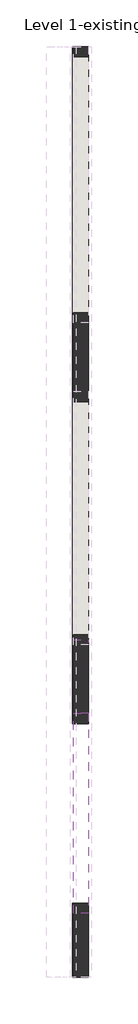
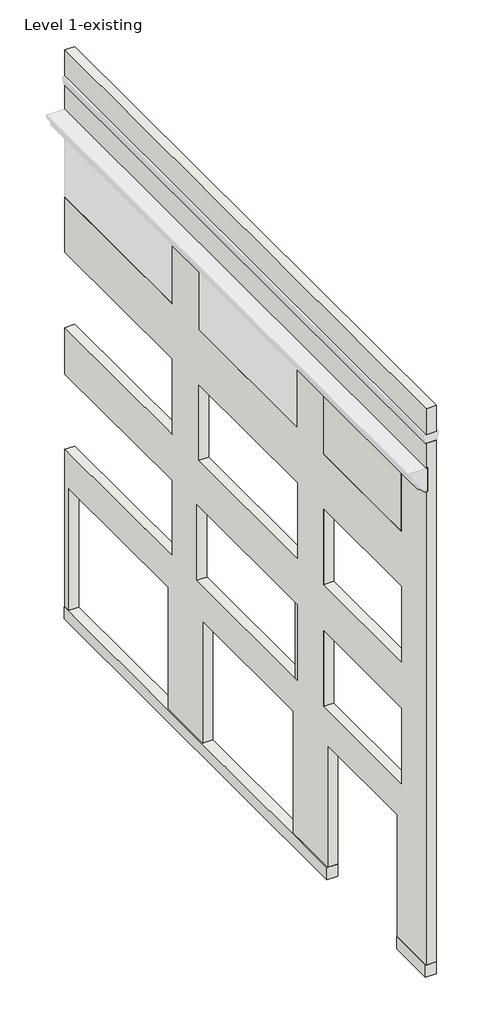
# One storey, part 1 of 2: 6 walls.
"""IFC4 building model written with IfcOpenShell, lengths in millimetres."""

from ifc_helpers import new_model, si_unit, frame, origin, place, context, project, spatial, polyline, circle_curve, outline, extrude, faceted_brep, element, save
from ifc_brep_helpers import plane_surface, cylinder_surface, revolved_surface, advanced_brep

model = new_model("IFC4")

# Units and contexts
model_context = context("Model", 3, world=origin())
ifc_project = project(units=[si_unit("LENGTHUNIT", "METRE", prefix="MILLI")], contexts=[model_context])

# Site, building, storey
site = spatial("IfcSite", under=ifc_project)
building = spatial("IfcBuilding", under=site)
storey = spatial("IfcBuildingStorey", under=building, Name="Level 1-existing", Elevation=0.0)

# Walls
placement = place(None, origin())
element("IfcWall", 1, ObjectType="Brick - 13\"", at=placement, inside=storey, context=model_context, shape_type="SolidModel", body=[
    faceted_brep([(-2978.5690818, 39267.6031223, 19913.6), (-2978.5690818, 18547.5531223, 19913.6), (-2978.5690818, 18547.5531223, 18999.2), (-2978.5690818, 39267.6031223, 18999.2), (-3308.7690818, 18547.5531223, 19913.6), (-3308.7690818, 39267.6031223, 19913.6), (-3308.7690818, 39267.6031223, 18999.2), (-3308.7690818, 18547.5531223, 18999.2)], [[[0, 1, 2, 3]], [[4, 5, 6, 7]], [[5, 0, 3, 6]], [[1, 0, 5, 4]], [[1, 4, 7, 2]], [[3, 2, 7, 6]]]),
    advanced_brep(
    [(-2978.5690818, 39039.0031223, 419.1), (-2978.5690818, 39267.6031223, 419.1), (-2978.5690818, 39267.6031223, 5918.2), (-2978.5690818, 33120.8031223, 5918.2), (-2978.5690818, 33120.8031223, 8559.8), (-2978.5690818, 39267.6031223, 8559.8), (-2978.5690818, 39267.6031223, 10185.4), (-2978.5690818, 33120.8031223, 10185.4), (-2978.5690818, 33120.8031223, 12827.0), (-2978.5690818, 39267.6031223, 12827.0), (-2978.5690818, 39267.6031223, 14757.4), (-2978.5690818, 33120.8031223, 14757.4), (-2978.5690818, 33120.8031223, 17001.264502), (-2978.5690818, 39267.6031223, 17001.264502), (-2978.5690818, 39267.6031223, 18694.4), (-2978.5690818, 18547.5531223, 18694.4), (-2978.5690818, 18547.5531223, 419.1), (-2978.5690818, 20198.5531223, 419.1), (-2978.5690818, 20198.5531223, 4686.3), (-2978.5690818, 24199.0531223, 4686.3), (-2978.5690818, 24199.0531223, 419.1), (-2978.5690818, 26180.2531223, 419.1), (-2978.5690818, 26180.2531223, 4686.3), (-2978.5690818, 31368.2031223, 4686.3), (-2978.5690818, 31368.2031223, 419.1), (-2978.5690818, 33349.4031223, 419.1), (-2978.5690818, 33349.4031223, 4686.3), (-2978.5690818, 39039.0031223, 4686.3), (-2978.5690818, 31596.8031223, 14757.4), (-2978.5690818, 25951.6531223, 14757.4), (-2978.5690818, 25951.6531223, 17001.264502), (-2978.5690818, 31596.8031223, 17001.264502), (-2978.5690818, 31596.8031223, 12827.0), (-2978.5690818, 31596.8031223, 10185.4), (-2978.5690818, 25951.6531223, 10185.4), (-2978.5690818, 25951.6531223, 12827.0), (-2978.5690818, 25951.6531223, 5918.2), (-2978.5690818, 25951.6531223, 8559.8), (-2978.5690818, 26059.6031223, 8559.8), (-2978.5690818, 31596.8031223, 8559.8), (-2978.5690818, 31704.7531223, 8559.8), (-2978.5690818, 31704.7531223, 5918.2), (-2978.5690818, 31596.8031223, 5918.2), (-2978.5690818, 26059.6031223, 5918.2), (-2978.5690818, 24427.6531223, 14757.4), (-2978.5690818, 19969.9531223, 14757.4), (-2978.5690818, 19969.9531223, 17001.264502), (-2978.5690818, 24427.6531223, 17001.264502), (-2978.5690818, 24427.6531223, 12827.0), (-2978.5690818, 24427.6531223, 10185.4), (-2978.5690818, 24427.1232914, 10185.4), (-2978.5690818, 19969.9531223, 10185.4), (-2978.5690818, 19969.4232914, 10185.4), (-2978.5690818, 19969.4232914, 12827.0), (-2978.5690818, 19969.9531223, 12827.0), (-2978.5690818, 24427.1232914, 12827.0), (-2978.5690818, 24427.6531223, 8559.8), (-2978.5690818, 24427.6531223, 5918.2), (-2978.5690818, 24427.1232914, 5918.2), (-2978.5690818, 19969.9531223, 5918.2), (-2978.5690818, 19969.4232914, 5918.2), (-2978.5690818, 19969.4232914, 8559.8), (-2978.5690818, 19969.9531223, 8559.8), (-2978.5690818, 24427.1232914, 8559.8), (-3308.7690818, 39267.6031223, 419.1), (-3308.7690818, 39039.0031223, 419.1), (-3308.7690818, 39039.0031223, 4686.3), (-3308.7690818, 33349.4031223, 4686.3), (-3308.7690818, 33349.4031223, 419.1), (-3308.7690818, 31368.2031223, 419.1), (-3308.7690818, 31368.2031223, 4686.3), (-3308.7690818, 26180.2531223, 4686.3), (-3308.7690818, 26180.2531223, 419.1), (-3308.7690818, 24199.0531223, 419.1), (-3308.7690818, 24199.0531223, 4686.3), (-3308.7690818, 20198.5531223, 4686.3), (-3308.7690818, 20198.5531223, 419.1), (-3308.7690818, 18547.5531223, 419.1), (-3308.7690818, 18547.5531223, 17005.3), (-3308.7690818, 19980.9308632, 17005.3), (-3308.7690818, 19969.9531223, 17001.264502), (-3308.7690818, 19969.9531223, 14757.4), (-3308.7690818, 24427.6531223, 14757.4), (-3308.7690818, 24427.6531223, 17001.264502), (-3308.7690818, 24416.6753815, 17005.3), (-3308.7690818, 25965.7258922, 17005.3), (-3308.7690818, 25951.6531223, 17001.264502), (-3308.7690818, 25951.6531223, 14757.4), (-3308.7690818, 31596.8031223, 14757.4), (-3308.7690818, 31596.8031223, 17001.264502), (-3308.7690818, 31582.7303525, 17005.3), (-3308.7690818, 33136.1746731, 17005.3), (-3308.7690818, 33120.8031223, 17001.264502), (-3308.7690818, 33120.8031223, 14757.4), (-3308.7690818, 39267.6031223, 14757.4), (-3308.7690818, 39267.6031223, 12827.0), (-3308.7690818, 33120.8031223, 12827.0), (-3308.7690818, 33120.8031223, 10185.4), (-3308.7690818, 39267.6031223, 10185.4), (-3308.7690818, 39267.6031223, 8559.8), (-3308.7690818, 33120.8031223, 8559.8), (-3308.7690818, 33120.8031223, 5918.2), (-3308.7690818, 39267.6031223, 5918.2), (-3308.7690818, 31596.8031223, 10185.4), (-3308.7690818, 31596.8031223, 12827.0), (-3308.7690818, 25951.6531223, 12827.0), (-3308.7690818, 25951.6531223, 10185.4), (-3308.7690818, 25951.6531223, 8559.8), (-3308.7690818, 25951.6531223, 5918.2), (-3308.7690818, 26059.6031223, 5918.2), (-3308.7690818, 31596.8031223, 5918.2), (-3308.7690818, 31704.7531223, 5918.2), (-3308.7690818, 31704.7531223, 8559.8), (-3308.7690818, 31596.8031223, 8559.8), (-3308.7690818, 26059.6031223, 8559.8), (-3308.7690818, 24427.6531223, 10185.4), (-3308.7690818, 24427.6531223, 12827.0), (-3308.7690818, 24427.1232914, 12827.0), (-3308.7690818, 19969.9531223, 12827.0), (-3308.7690818, 19969.4232914, 12827.0), (-3308.7690818, 19969.4232914, 10185.4), (-3308.7690818, 19969.9531223, 10185.4), (-3308.7690818, 24427.1232914, 10185.4), (-3308.7690818, 24427.6531223, 5918.2), (-3308.7690818, 24427.6531223, 8559.8), (-3308.7690818, 24427.1232914, 8559.8), (-3308.7690818, 19969.9531223, 8559.8), (-3308.7690818, 19969.4232914, 8559.8), (-3308.7690818, 19969.4232914, 5918.2), (-3308.7690818, 19969.9531223, 5918.2), (-3308.7690818, 24427.1232914, 5918.2), (-3308.7690818, 18547.5531223, 18694.4), (-3308.7690818, 39267.6031223, 18694.4), (-3308.7690818, 39267.6031223, 17830.8), (-3308.7690818, 18547.5531223, 17830.8), (-3308.7690818, 39267.6031223, 17005.3), (-3308.7690818, 39267.6031223, 17001.264502), (-3308.7690818, 39252.2315716, 17005.3), (-3257.9690818, 39267.6031223, 17005.3), (-3257.9690818, 39267.6031223, 17830.8), (-3257.9690818, 18547.5531223, 17830.8), (-3257.9690818, 18547.5531223, 17005.3), (-3257.9690818, 25965.7258922, 17005.3), (-3257.9690818, 31582.7303525, 17005.3), (-3257.9690818, 33136.1746731, 17005.3), (-3257.9690818, 39252.2315716, 17005.3), (-3257.9690818, 19980.9308632, 17005.3), (-3257.9690818, 24416.6753815, 17005.3)],
    [
        (0, 1),
        (1, 2),
        (2, 3),
        (3, 4),
        (4, 5),
        (5, 6),
        (6, 7),
        (7, 8),
        (8, 9),
        (9, 10),
        (10, 11),
        (11, 12),
        (12, 13, circle_curve(frame((-2978.5690818, 36194.2031223, 5325.7192616), z_axis=(-1.0, 0.0, 0.0), x_axis=(0.0, 1.0, 0.0)), 12073.2822472)),
        (13, 14),
        (14, 15),
        (15, 16),
        (16, 17),
        (17, 18),
        (18, 19),
        (19, 20),
        (20, 21),
        (21, 22),
        (22, 23),
        (23, 24),
        (24, 25),
        (25, 26),
        (26, 27),
        (27, 0),
        (28, 29),
        (29, 30),
        (30, 31, circle_curve(frame((-2978.5690818, 28774.2281223, 7184.8094444), z_axis=(-1.0, 0.0, 0.0), x_axis=(0.0, 1.0, 0.0)), 10214.1920644)),
        (31, 28),
        (32, 33),
        (33, 34),
        (34, 35),
        (35, 32),
        (36, 37),
        (37, 38),
        (38, 39),
        (39, 40),
        (40, 41),
        (41, 42),
        (42, 43),
        (43, 36),
        (44, 45),
        (45, 46),
        (46, 47, circle_curve(frame((-2978.5690818, 22198.8031223, 10955.0863571), z_axis=(-1.0, 0.0, 0.0), x_axis=(0.0, 1.0, 0.0)), 6443.9151517)),
        (47, 44),
        (48, 49),
        (49, 50),
        (50, 51),
        (51, 52),
        (52, 53),
        (53, 54),
        (54, 55),
        (55, 48),
        (56, 57),
        (57, 58),
        (58, 59),
        (59, 60),
        (60, 61),
        (61, 62),
        (62, 63),
        (63, 56),
        (64, 65),
        (65, 66),
        (66, 67),
        (67, 68),
        (68, 69),
        (69, 70),
        (70, 71),
        (71, 72),
        (72, 73),
        (73, 74),
        (74, 75),
        (75, 76),
        (76, 77),
        (77, 78),
        (78, 79),
        (79, 80, circle_curve(frame((-3308.7690818, 22198.8031223, 10955.0863571), z_axis=(1.0, 0.0, 0.0), x_axis=(0.0, 1.0, 0.0)), 6443.9151517)),
        (80, 81),
        (81, 82),
        (82, 83),
        (83, 84, circle_curve(frame((-3308.7690818, 22198.8031223, 10955.0863571), z_axis=(1.0, 0.0, 0.0), x_axis=(0.0, 1.0, 0.0)), 6443.9151517)),
        (84, 85),
        (85, 86, circle_curve(frame((-3308.7690818, 28774.2281223, 7184.8094444), z_axis=(1.0, 0.0, 0.0), x_axis=(0.0, 1.0, 0.0)), 10214.1920644)),
        (86, 87),
        (87, 88),
        (88, 89),
        (89, 90, circle_curve(frame((-3308.7690818, 28774.2281223, 7184.8094444), z_axis=(1.0, 0.0, 0.0), x_axis=(0.0, 1.0, 0.0)), 10214.1920644)),
        (90, 91),
        (91, 92, circle_curve(frame((-3308.7690818, 36194.2031223, 5325.7192616), z_axis=(1.0, 0.0, 0.0), x_axis=(0.0, 1.0, 0.0)), 12073.2822472)),
        (92, 93),
        (93, 94),
        (94, 95),
        (95, 96),
        (96, 97),
        (97, 98),
        (98, 99),
        (99, 100),
        (100, 101),
        (101, 102),
        (102, 64),
        (103, 104),
        (104, 105),
        (105, 106),
        (106, 103),
        (107, 108),
        (108, 109),
        (109, 110),
        (110, 111),
        (111, 112),
        (112, 113),
        (113, 114),
        (114, 107),
        (115, 116),
        (116, 117),
        (117, 118),
        (118, 119),
        (119, 120),
        (120, 121),
        (121, 122),
        (122, 115),
        (123, 124),
        (124, 125),
        (125, 126),
        (126, 127),
        (127, 128),
        (128, 129),
        (129, 130),
        (130, 123),
        (131, 132),
        (132, 133),
        (133, 134),
        (134, 131),
        (135, 136),
        (136, 137, circle_curve(frame((-3308.7690818, 36194.2031223, 5325.7192616), z_axis=(1.0, 0.0, 0.0), x_axis=(0.0, 1.0, 0.0)), 12073.2822472)),
        (137, 135),
        (64, 1),
        (0, 65),
        (16, 77),
        (76, 17),
        (24, 69),
        (68, 25),
        (20, 73),
        (72, 21),
        (102, 2),
        (94, 10),
        (9, 95),
        (13, 136),
        (135, 138),
        (138, 139),
        (139, 133),
        (132, 14),
        (98, 6),
        (5, 99),
        (15, 131),
        (134, 140),
        (140, 141),
        (141, 78),
        (75, 18),
        (74, 19),
        (71, 22),
        (70, 23),
        (67, 26),
        (66, 27),
        (28, 88),
        (87, 29),
        (86, 30),
        (85, 142),
        (142, 143, circle_curve(frame((-3257.9690818, 28774.2281223, 7184.8094444), z_axis=(-1.0, 0.0, 0.0), x_axis=(0.0, 1.0, 0.0)), 10214.1920644)),
        (143, 90),
        (89, 31),
        (93, 11),
        (92, 12),
        (91, 144),
        (144, 145, circle_curve(frame((-3257.9690818, 36194.2031223, 5325.7192616), z_axis=(-1.0, 0.0, 0.0), x_axis=(0.0, 1.0, 0.0)), 12073.2822472)),
        (145, 137),
        (97, 7),
        (96, 8),
        (101, 3),
        (100, 4),
        (32, 104),
        (103, 33),
        (106, 34),
        (105, 35),
        (108, 36),
        (41, 111),
        (107, 37),
        (112, 40),
        (44, 82),
        (81, 45),
        (80, 46),
        (79, 146),
        (146, 147, circle_curve(frame((-3257.9690818, 22198.8031223, 10955.0863571), z_axis=(-1.0, 0.0, 0.0), x_axis=(0.0, 1.0, 0.0)), 6443.9151517)),
        (147, 84),
        (83, 47),
        (48, 116),
        (115, 49),
        (120, 52),
        (53, 119),
        (56, 124),
        (123, 57),
        (128, 60),
        (61, 127),
        (140, 139),
        (138, 145),
        (144, 143),
        (142, 147),
        (146, 141),
    ],
    [
        plane_surface(frame((-2978.5690818, 19969.9531223, 419.1), z_axis=(1.0, 0.0, 0.0), x_axis=(0.0, 1.0, 0.0))),
        plane_surface(frame((-3308.7690818, 19969.9531223, 419.1), z_axis=(-1.0, 0.0, 0.0), x_axis=(0.0, -1.0, 0.0))),
        plane_surface(frame((-2978.5690818, 18547.5531223, 419.1), z_axis=(0.0, 0.0, -1.0), x_axis=(-1.0, 0.0, 0.0))),
        plane_surface(frame((-2978.5690818, 39267.6031223, 419.1), z_axis=(0.0, 1.0, 0.0), x_axis=(-1.0, 0.0, 0.0))),
        plane_surface(frame((-2978.5690818, 18547.5531223, 19913.6), z_axis=(0.0, -1.0, 0.0), x_axis=(-1.0, 0.0, 0.0))),
        plane_surface(frame((-2978.5690818, 20198.5531223, 419.1), z_axis=(0.0, 1.0, 0.0), x_axis=(-1.0, 0.0, 0.0))),
        plane_surface(frame((-2978.5690818, 20198.5531223, 4686.3), z_axis=(0.0, 0.0, -1.0), x_axis=(-1.0, 0.0, 0.0))),
        plane_surface(frame((-2978.5690818, 24199.0531223, 4686.3), z_axis=(0.0, -1.0, 0.0), x_axis=(-1.0, 0.0, 0.0))),
        plane_surface(frame((-2978.5690818, 26180.2531223, 419.1), z_axis=(0.0, 1.0, 0.0), x_axis=(-1.0, 0.0, 0.0))),
        plane_surface(frame((-2978.5690818, 26180.2531223, 4686.3), z_axis=(0.0, 0.0, -1.0), x_axis=(-1.0, 0.0, 0.0))),
        plane_surface(frame((-2978.5690818, 31368.2031223, 4686.3), z_axis=(0.0, -1.0, 0.0), x_axis=(-1.0, 0.0, 0.0))),
        plane_surface(frame((-2978.5690818, 33349.4031223, 419.1), z_axis=(0.0, 1.0, 0.0), x_axis=(-1.0, 0.0, 0.0))),
        plane_surface(frame((-2978.5690818, 33349.4031223, 4686.3), z_axis=(0.0, 0.0, -1.0), x_axis=(-1.0, 0.0, 0.0))),
        plane_surface(frame((-2978.5690818, 39039.0031223, 4686.3), z_axis=(0.0, -1.0, 0.0), x_axis=(-1.0, 0.0, 0.0))),
        plane_surface(frame((-4502.5690818, 31596.8031223, 14757.4), z_axis=(0.0, 0.0, 1.0), x_axis=(1.0, 0.0, 0.0))),
        plane_surface(frame((-4502.5690818, 25951.6531223, 14757.4), z_axis=(0.0, 1.0, 0.0), x_axis=(1.0, 0.0, 0.0))),
        revolved_surface(polyline([(-3308.7690818, 38988.4201867, 7184.8094444), (-2978.5690818, 38988.4201867, 7184.8094444)]), (-1454.5690818, 28774.2281223, 7184.8094444), (-1.0, 0.0, 0.0)),
        plane_surface(frame((-4502.5690818, 31596.8031223, 17001.264502), z_axis=(0.0, -1.0, 0.0), x_axis=(1.0, 0.0, 0.0))),
        plane_surface(frame((-4502.5690818, 39267.6031223, 14757.4), z_axis=(0.0, 0.0, 1.0), x_axis=(1.0, 0.0, 0.0))),
        plane_surface(frame((-4502.5690818, 33120.8031223, 14757.4), z_axis=(0.0, 1.0, 0.0), x_axis=(1.0, 0.0, 0.0))),
        revolved_surface(polyline([(-3308.7690818, 48267.485369500006, 5325.7192616), (-2978.5690818, 48267.485369500006, 5325.7192616)]), (-1454.5690818, 36194.2031223, 5325.7192616), (-1.0, 0.0, 0.0)),
        plane_surface(frame((-4502.5690818, 39267.6031223, 10185.4), z_axis=(0.0, 0.0, 1.0), x_axis=(1.0, 0.0, 0.0))),
        plane_surface(frame((-4502.5690818, 33120.8031223, 10185.4), z_axis=(0.0, 1.0, 0.0), x_axis=(1.0, 0.0, 0.0))),
        plane_surface(frame((-4502.5690818, 33120.8031223, 12827.0), z_axis=(0.0, 0.0, -1.0), x_axis=(1.0, 0.0, 0.0))),
        plane_surface(frame((-4502.5690818, 39267.6031223, 5918.2), z_axis=(0.0, 0.0, 1.0), x_axis=(1.0, 0.0, 0.0))),
        plane_surface(frame((-4502.5690818, 33120.8031223, 5918.2), z_axis=(0.0, 1.0, 0.0), x_axis=(1.0, 0.0, 0.0))),
        plane_surface(frame((-4502.5690818, 33120.8031223, 8559.8), z_axis=(0.0, 0.0, -1.0), x_axis=(1.0, 0.0, 0.0))),
        plane_surface(frame((-4502.5690818, 31596.8031223, 12827.0), z_axis=(0.0, -1.0, 0.0), x_axis=(1.0, 0.0, 0.0))),
        plane_surface(frame((-4502.5690818, 31596.8031223, 10185.4), z_axis=(0.0, 0.0, 1.0), x_axis=(1.0, 0.0, 0.0))),
        plane_surface(frame((-4502.5690818, 25951.6531223, 10185.4), z_axis=(0.0, 1.0, 0.0), x_axis=(1.0, 0.0, 0.0))),
        plane_surface(frame((-4502.5690818, 25951.6531223, 12827.0), z_axis=(0.0, 0.0, -1.0), x_axis=(1.0, 0.0, 0.0))),
        plane_surface(frame((-4502.5690818, 31596.8031223, 5918.2), z_axis=(0.0, 0.0, 1.0), x_axis=(1.0, 0.0, 0.0))),
        plane_surface(frame((-4502.5690818, 25951.6531223, 5918.2), z_axis=(0.0, 1.0, 0.0), x_axis=(1.0, 0.0, 0.0))),
        plane_surface(frame((-4502.5690818, 25951.6531223, 8559.8), z_axis=(0.0, 0.0, -1.0), x_axis=(1.0, 0.0, 0.0))),
        plane_surface(frame((-4502.5690818, 24427.6531223, 14757.4), z_axis=(0.0, 0.0, 1.0), x_axis=(1.0, 0.0, 0.0))),
        plane_surface(frame((-4502.5690818, 19969.9531223, 14757.4), z_axis=(0.0, 1.0, 0.0), x_axis=(1.0, 0.0, 0.0))),
        revolved_surface(polyline([(-3308.7690818, 28642.718274, 10955.0863571), (-2978.5690818, 28642.718274, 10955.0863571)]), (-1454.5690818, 22198.8031223, 10955.0863571), (-1.0, 0.0, 0.0)),
        plane_surface(frame((-4502.5690818, 24427.6531223, 17001.264502), z_axis=(0.0, -1.0, 0.0), x_axis=(1.0, 0.0, 0.0))),
        plane_surface(frame((-4502.5690818, 24427.6531223, 12827.0), z_axis=(0.0, -1.0, 0.0), x_axis=(1.0, 0.0, 0.0))),
        plane_surface(frame((-4502.5690818, 24427.6531223, 10185.4), z_axis=(0.0, 0.0, 1.0), x_axis=(1.0, 0.0, 0.0))),
        plane_surface(frame((-4502.5690818, 19969.9531223, 12827.0), z_axis=(0.0, 0.0, -1.0), x_axis=(1.0, 0.0, 0.0))),
        plane_surface(frame((-4502.5690818, 24427.6531223, 8559.8), z_axis=(0.0, -1.0, 0.0), x_axis=(1.0, 0.0, 0.0))),
        plane_surface(frame((-4502.5690818, 24427.6531223, 5918.2), z_axis=(0.0, 0.0, 1.0), x_axis=(1.0, 0.0, 0.0))),
        plane_surface(frame((-4502.5690818, 19969.9531223, 8559.8), z_axis=(0.0, 0.0, -1.0), x_axis=(1.0, 0.0, 0.0))),
        plane_surface(frame((-4502.5690818, 19969.4232914, 5918.2), z_axis=(0.0, 1.0, 0.0), x_axis=(1.0, 0.0, 0.0))),
        plane_surface(frame((-4502.5690818, 19969.4232914, 10185.4), z_axis=(0.0, 1.0, 0.0), x_axis=(1.0, 0.0, 0.0))),
        plane_surface(frame((-4502.5690818, 31704.7531223, 8559.8), z_axis=(0.0, -1.0, 0.0), x_axis=(1.0, 0.0, 0.0))),
        plane_surface(frame((-3321.4690818, 18547.5531223, 18694.4), z_axis=(0.0, 0.0, 1.0), x_axis=(0.0, 1.0, 0.0))),
        plane_surface(frame((-3257.9690818, 18547.5531223, 17005.3), z_axis=(-1.0, 0.0, 0.0), x_axis=(0.0, 1.0, 0.0))),
        plane_surface(frame((-3257.9690818, 18547.5531223, 17830.8), z_axis=(0.0, 0.0, -1.0), x_axis=(0.0, 1.0, 0.0))),
        plane_surface(frame((-3372.2690818, 18547.5531223, 17005.3), z_axis=(0.0, 0.0, 1.0), x_axis=(0.0, 1.0, 0.0))),
    ],
    [
        (0, [[1, 2, 3, 4, 5, 6, 7, 8, 9, 10, 11, 12, 13, 14, 15, 16, 17, 18, 19, 20, 21, 22, 23, 24, 25, 26, 27, 28], [29, 30, 31, 32], [33, 34, 35, 36], [37, 38, 39, 40, 41, 42, 43, 44], [45, 46, 47, 48], [49, 50, 51, 52, 53, 54, 55, 56], [57, 58, 59, 60, 61, 62, 63, 64]]),
        (1, [[65, 66, 67, 68, 69, 70, 71, 72, 73, 74, 75, 76, 77, 78, 79, 80, 81, 82, 83, 84, 85, 86, 87, 88, 89, 90, 91, 92, 93, 94, 95, 96, 97, 98, 99, 100, 101, 102, 103], [104, 105, 106, 107], [108, 109, 110, 111, 112, 113, 114, 115], [116, 117, 118, 119, 120, 121, 122, 123], [124, 125, 126, 127, 128, 129, 130, 131]]),
        (1, [[132, 133, 134, 135]]),
        (1, [[136, 137, 138]]),
        (2, [[139, -1, 140, -65]]),
        (2, [[141, -77, 142, -17]]),
        (2, [[-25, 143, -69, 144]]),
        (2, [[-21, 145, -73, 146]]),
        (3, [[-139, -103, 147, -2]]),
        (3, [[148, -10, 149, -95]]),
        (3, [[150, -136, 151, 152, 153, -133, 154, -14]]),
        (3, [[155, -6, 156, -99]]),
        (4, [[-141, -16, 157, -135, 158, 159, 160, -78]]),
        (5, [[161, -18, -142, -76]]),
        (6, [[-161, -75, 162, -19]]),
        (7, [[-162, -74, -145, -20]]),
        (8, [[163, -22, -146, -72]]),
        (9, [[-163, -71, 164, -23]]),
        (10, [[-164, -70, -143, -24]]),
        (11, [[165, -26, -144, -68]]),
        (12, [[-165, -67, 166, -27]]),
        (13, [[-166, -66, -140, -28]]),
        (14, [[167, -88, 168, -29]]),
        (15, [[-168, -87, 169, -30]]),
        (16, [[-169, -86, 170, 171, 172, -90, 173, -31]]),
        (17, [[-167, -32, -173, -89]]),
        (18, [[174, -11, -148, -94]]),
        (19, [[-174, -93, 175, -12]]),
        (20, [[-175, -92, 176, 177, 178, -137, -150, -13]]),
        (21, [[179, -7, -155, -98]]),
        (22, [[-179, -97, 180, -8]]),
        (23, [[-180, -96, -149, -9]]),
        (24, [[181, -3, -147, -102]]),
        (25, [[-181, -101, 182, -4]]),
        (26, [[-182, -100, -156, -5]]),
        (27, [[183, -104, 184, -33]]),
        (28, [[-184, -107, 185, -34]]),
        (29, [[-185, -106, 186, -35]]),
        (30, [[-183, -36, -186, -105]]),
        (31, [[187, -44, -43, -42, 188, -111, -110, -109]]),
        (32, [[-187, -108, 189, -37]]),
        (33, [[-189, -115, -114, -113, 190, -40, -39, -38]]),
        (34, [[191, -82, 192, -45]]),
        (35, [[-192, -81, 193, -46]]),
        (36, [[-193, -80, 194, 195, 196, -84, 197, -47]]),
        (37, [[-191, -48, -197, -83]]),
        (38, [[198, -116, 199, -49]]),
        (39, [[-199, -123, -122, -121, 200, -52, -51, -50]]),
        (40, [[-198, -56, -55, -54, 201, -119, -118, -117]]),
        (41, [[202, -124, 203, -57]]),
        (42, [[-203, -131, -130, -129, 204, -60, -59, -58]]),
        (43, [[-202, -64, -63, -62, 205, -127, -126, -125]]),
        (44, [[-204, -128, -205, -61]]),
        (45, [[-200, -120, -201, -53]]),
        (46, [[-190, -112, -188, -41]]),
        (47, [[-15, -154, -132, -157]]),
        (48, [[206, -152, 207, -177, 208, -171, 209, -195, 210, -159]]),
        (49, [[-206, -158, -134, -153]]),
        (50, [[-207, -151, -138, -178]]),
        (50, [[-208, -176, -91, -172]]),
        (50, [[-209, -170, -85, -196]]),
        (50, [[-210, -194, -79, -160]]),
    ],
),
])
element("IfcWall", 2, ObjectType="Brick - 13\"", at=placement, inside=storey, context=model_context, shape_type="SweptSolid", body=[
    extrude(outline(polyline([(-3308.7690818, 24427.6531223), (-2978.5690818, 24427.6531223), (-2978.5690818, 24427.1232914), (-3308.7690818, 24427.1232914), (-3308.7690818, 24427.6531223)])), frame((0.0, 0.0, 10185.4), z_axis=(0.0, 0.0, 1.0), x_axis=(1.0, 0.0, 0.0)), (0.0, 0.0, 1.0), 2641.6),
])
element("IfcWall", 3, ObjectType="Brick - 13\"", at=placement, inside=storey, context=model_context, shape_type="SweptSolid", body=[
    extrude(outline(polyline([(-3308.7690818, 24427.6531223), (-2978.5690818, 24427.6531223), (-2978.5690818, 24427.1232914), (-3308.7690818, 24427.1232914), (-3308.7690818, 24427.6531223)])), frame((0.0, 0.0, 5918.2), z_axis=(0.0, 0.0, 1.0), x_axis=(1.0, 0.0, 0.0)), (0.0, 0.0, 1.0), 2641.6),
])
element("IfcWall", 4, ObjectType="Brick - 13\"", at=placement, inside=storey, context=model_context, shape_type="SweptSolid", body=[
    extrude(outline(polyline([(-2978.5690818, 25951.6531223), (-3308.7690818, 25951.6531223), (-3308.7690818, 26059.6031223), (-2978.5690818, 26059.6031223), (-2978.5690818, 25951.6531223)])), frame((0.0, 0.0, 5918.2), z_axis=(0.0, 0.0, 1.0), x_axis=(1.0, 0.0, 0.0)), (0.0, 0.0, 1.0), 2641.6),
])
element("IfcWall", 5, ObjectType="Brick - 13\"", at=placement, inside=storey, context=model_context, shape_type="AdvancedBrep", body=[
    advanced_brep(
    [(-2978.5690818, 19969.9531223, 14757.4), (-2978.5690818, 24427.6531223, 14757.4), (-2978.5690818, 24427.6531223, 17001.264502), (-2978.5690818, 19969.9531223, 17001.264502), (-3308.7690818, 24427.6531223, 14757.4), (-3308.7690818, 19969.9531223, 14757.4), (-3308.7690818, 19969.9531223, 17001.264502), (-3308.7690818, 19980.9376372, 17005.302242), (-3308.7690818, 24416.6686075, 17005.302242), (-3308.7690818, 24427.6531223, 17001.264502)],
    [
        (0, 1),
        (1, 2),
        (2, 3, circle_curve(frame((-2978.5690818, 22198.8031223, 10955.0863571), z_axis=(1.0, 0.0, 0.0), x_axis=(0.0, 1.0, 0.0)), 6443.9151517)),
        (3, 0),
        (4, 5),
        (5, 6),
        (6, 7, circle_curve(frame((-3308.7690818, 22198.8031223, 10955.0863571), z_axis=(-1.0, 0.0, 0.0), x_axis=(0.0, 1.0, 0.0)), 6443.9151517)),
        (7, 8, circle_curve(frame((-3308.7690818, 22198.8031223, 10955.0863571), z_axis=(-1.0, 0.0, 0.0), x_axis=(0.0, 1.0, 0.0)), 6443.9149252)),
        (8, 9, circle_curve(frame((-3308.7690818, 22198.8031223, 10955.0863571), z_axis=(-1.0, 0.0, 0.0), x_axis=(0.0, 1.0, 0.0)), 6443.9149252)),
        (9, 4),
        (4, 1),
        (0, 5),
        (3, 6),
        (2, 9),
    ],
    [
        plane_surface(frame((-2978.5690818, 19969.9531223, 419.1), z_axis=(1.0, 0.0, 0.0), x_axis=(0.0, 1.0, 0.0))),
        plane_surface(frame((-3308.7690818, 19969.9531223, 419.1), z_axis=(-1.0, 0.0, 0.0), x_axis=(0.0, -1.0, 0.0))),
        plane_surface(frame((-4502.5690818, 24427.6531223, 14757.4), z_axis=(0.0, 0.0, -1.0), x_axis=(1.0, 0.0, 0.0))),
        plane_surface(frame((-4502.5690818, 19969.9531223, 14757.4), z_axis=(0.0, -1.0, 0.0), x_axis=(1.0, 0.0, 0.0))),
        cylinder_surface(frame((-1454.5690818, 22198.8031223, 10955.0863571), z_axis=(-1.0, 0.0, 0.0), x_axis=(0.0, 1.0, 0.0)), 6443.9151517),
        plane_surface(frame((-4502.5690818, 24427.6531223, 17001.264502), z_axis=(0.0, 1.0, 0.0), x_axis=(1.0, 0.0, 0.0))),
    ],
    [
        (0, [[1, 2, 3, 4]]),
        (1, [[5, 6, 7, 8, 9, 10]]),
        (2, [[11, -1, 12, -5]]),
        (3, [[-12, -4, 13, -6]]),
        (4, [[-13, -3, 14, -9, -8, -7]]),
        (5, [[-11, -10, -14, -2]]),
    ],
),
])
element("IfcWall", 6, ObjectType="Stone - 14\"", at=placement, inside=storey, context=model_context, shape_type="Brep", body=[
    faceted_brep([(-2978.5690818, 39267.6031223, 0.0), (-2978.5690818, 39267.6031223, 419.1), (-2978.5690818, 39039.0031223, 419.1), (-2978.5690818, 33349.4031223, 419.1), (-2978.5690818, 31368.2031223, 419.1), (-2978.5690818, 26180.2531223, 419.1), (-2978.5690818, 24199.0531223, 419.1), (-2978.5690818, 24199.0531223, 0.0), (-3334.1690818, 39267.6031223, 419.1), (-3334.1690818, 39267.6031223, 0.0), (-3334.1690818, 24199.0531223, 0.0), (-3334.1690818, 24199.0531223, 419.1), (-3334.1690818, 26180.2531223, 419.1), (-3334.1690818, 31368.2031223, 419.1), (-3334.1690818, 33349.4031223, 419.1), (-3334.1690818, 39039.0031223, 419.1), (-3308.7690818, 39267.6031223, 419.1), (-3308.7690818, 24199.0531223, 419.1)], [[[0, 1, 2, 3, 4, 5, 6, 7]], [[8, 9, 10, 11, 12, 13, 14, 15]], [[9, 0, 7, 10]], [[1, 0, 9, 8, 16]], [[1, 16, 8, 15, 14, 13, 12, 11, 17, 6, 5, 4, 3, 2]], [[7, 6, 17, 11, 10]]]),
    faceted_brep([(-2978.5690818, 18547.5531223, 419.1), (-2978.5690818, 18547.5531223, 0.0), (-2978.5690818, 20198.5531223, 0.0), (-2978.5690818, 20198.5531223, 419.1), (-3334.1690818, 18547.5531223, 0.0), (-3334.1690818, 18547.5531223, 419.1), (-3334.1690818, 20198.5531223, 419.1), (-3334.1690818, 20198.5531223, 0.0), (-3308.7690818, 18547.5531223, 419.1), (-3308.7690818, 20198.5531223, 419.1)], [[[0, 1, 2, 3]], [[4, 5, 6, 7]], [[1, 4, 7, 2]], [[5, 8, 0, 3, 9, 6]], [[1, 0, 8, 5, 4]], [[3, 2, 7, 6, 9]]]),
])

save(model, "model.ifc")
